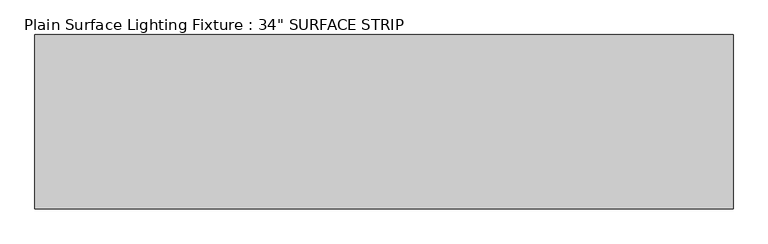
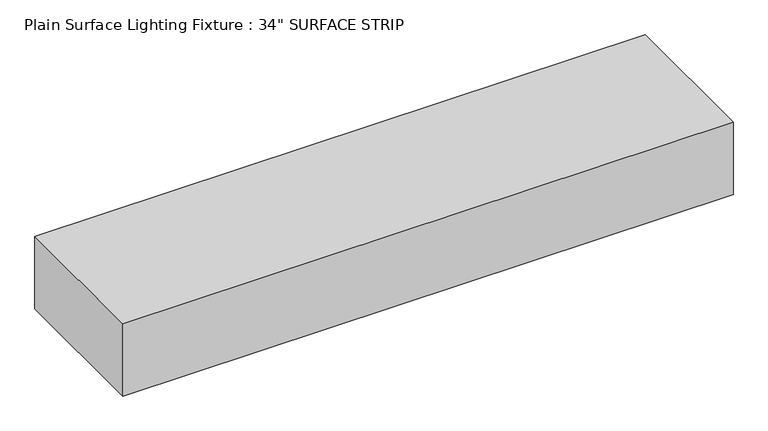
"""IFC4 building model written with IfcOpenShell, lengths in millimetres: light fixture geometry."""

import ifcopenshell
import ifcopenshell.guid

model = None  # the IFC model being written
_history = None  # IfcOwnerHistory: only IFC2X3 demands one
_inside = {}  # id of a spatial element -> (the spatial element, [elements in it])
_under = {}  # id of a project, library or spatial element -> (it, [spatial elements below it])
_declared = {}  # id of a project -> (the project, [libraries it declares])
_typed = {}  # id of a type object -> (the type object, [elements of that type])
_made_of = {}  # id of a material, layer set ... -> (it, [elements and type objects made of it])


def new_model(schema):
    """Start an empty IFC model of exactly this schema.

    Asked for "IFC4X3", IfcOpenShell would pick the latest addendum, in which some entities
    have other attributes; the version numbers below select the first issue.
    IFC2X3 requires an IfcOwnerHistory on every rooted entity: one is made here for all.
    """
    global model, _history
    if schema == "IFC4X3":
        model = ifcopenshell.file(schema_version=(4, 3, 0, 0))
    else:
        model = ifcopenshell.file(schema=schema)
    _inside.clear()
    _under.clear()
    _declared.clear()
    _typed.clear()
    _made_of.clear()
    _history = None
    if model.schema == "IFC2X3":
        org = make("IfcOrganization", Name="unknown")
        user = make(
            "IfcPersonAndOrganization",
            ThePerson=make("IfcPerson", FamilyName="unknown"),
            TheOrganization=org,
        )
        app = make(
            "IfcApplication",
            ApplicationDeveloper=org,
            Version="unknown",
            ApplicationFullName="unknown",
            ApplicationIdentifier="unknown",
        )
        _history = make(
            "IfcOwnerHistory",
            OwningUser=user,
            OwningApplication=app,
            ChangeAction="ADDED",
            CreationDate=0,
        )
    return model


def make(cls, **values):
    """One entity of the class cls with the attributes given. An attribute that is None is left unset."""
    return model.create_entity(
        cls, **{name: value for name, value in values.items() if value is not None}
    )


def rooted(cls, **values):
    """An entity with a GlobalId (a new one), such as an element, a storey or a relation."""
    return make(cls, GlobalId=ifcopenshell.guid.new(), OwnerHistory=_history, **values)


def si_unit(unit_type, name, prefix=None):
    """IfcSIUnit, for example si_unit("LENGTHUNIT", "METRE", prefix="MILLI")."""
    return make("IfcSIUnit", UnitType=unit_type, Prefix=prefix, Name=name)


def assignment(units):
    """IfcUnitAssignment: the units of a project."""
    return None if units is None else make("IfcUnitAssignment", Units=units)


def point(xyz):
    """IfcCartesianPoint."""
    return None if xyz is None else make("IfcCartesianPoint", Coordinates=xyz)


def direction(xyz):
    """IfcDirection."""
    return None if xyz is None else make("IfcDirection", DirectionRatios=xyz)


def frame(location, z_axis=None, x_axis=None):
    """IfcAxis2Placement3D, a coordinate frame: its origin and axes. An axis left out is left unset."""
    return make(
        "IfcAxis2Placement3D",
        Location=point(location),
        Axis=direction(z_axis),
        RefDirection=direction(x_axis),
    )


def origin():
    """The frame at (0, 0, 0) with its axes left unset."""
    return frame((0.0, 0.0, 0.0))


def origin_with_axes():
    """The frame at (0, 0, 0) with the z axis (0, 0, 1) and the x axis (1, 0, 0) written out."""
    return frame((0.0, 0.0, 0.0), z_axis=(0.0, 0.0, 1.0), x_axis=(1.0, 0.0, 0.0))


def place(relative_to, where):
    """IfcLocalPlacement: puts the frame where relative to a parent placement (None: the world)."""
    return make(
        "IfcLocalPlacement", PlacementRelTo=relative_to, RelativePlacement=where
    )


def context(
    kind, dimensions, precision=None, world=None, true_north=None, identifier=None
):
    """IfcGeometricRepresentationContext, for example the 3D "Model" context."""
    return make(
        "IfcGeometricRepresentationContext",
        ContextIdentifier=identifier,
        ContextType=kind,
        CoordinateSpaceDimension=dimensions,
        Precision=precision,
        WorldCoordinateSystem=world,
        TrueNorth=true_north,
    )


def project(units=None, contexts=None):
    """IfcProject with its units and contexts."""
    return rooted(
        "IfcProject",
        Name="project",
        RepresentationContexts=contexts,
        UnitsInContext=assignment(units),
    )


def spatial(cls, under=None, at=None, **own):
    """A site, building, storey or space (cls), placed at a placement, below another one or the project."""
    s = rooted(cls, ObjectPlacement=at, **own)
    if under is not None:
        _under.setdefault(under.id(), (under, []))[1].append(s)
    return s


def polyline(points):
    """IfcPolyline through the points."""
    return make("IfcPolyline", Points=[point(p) for p in points])


def outline(outer, holes=None, kind="AREA"):
    """IfcArbitraryClosedProfileDef: a profile drawn as a closed curve; with holes, ...WithVoids."""
    if holes is None:
        return make("IfcArbitraryClosedProfileDef", ProfileType=kind, OuterCurve=outer)
    return make(
        "IfcArbitraryProfileDefWithVoids",
        ProfileType=kind,
        OuterCurve=outer,
        InnerCurves=holes,
    )


def extrude(swept, where, along, depth):
    """IfcExtrudedAreaSolid: the profile swept, set in the frame where, extruded along a direction by depth."""
    return make(
        "IfcExtrudedAreaSolid",
        SweptArea=swept,
        Position=where,
        ExtrudedDirection=direction(along),
        Depth=depth,
    )


def shape(context_of_items, identifier, shape_type, items):
    """IfcShapeRepresentation: the items that make up one representation, for example the "Body"."""
    return make(
        "IfcShapeRepresentation",
        ContextOfItems=context_of_items,
        RepresentationIdentifier=identifier,
        RepresentationType=shape_type,
        Items=items,
    )


def source(mapping_origin, context_of_items, identifier, shape_type, items):
    """IfcRepresentationMap: a shape defined once, which mapped items show again and again."""
    return make(
        "IfcRepresentationMap",
        MappingOrigin=mapping_origin,
        MappedRepresentation=shape(context_of_items, identifier, shape_type, items),
    )


def transform(
    local_origin,
    x_axis=None,
    y_axis=None,
    z_axis=None,
    scale=None,
    scale2=None,
    scale3=None,
    uniform=True,
):
    """IfcCartesianTransformationOperator3D, or its non-uniform kind. x_axis, y_axis, z_axis: its Axis1, 2, 3."""
    if uniform:
        return make(
            "IfcCartesianTransformationOperator3D",
            Axis1=direction(x_axis),
            Axis2=direction(y_axis),
            LocalOrigin=point(local_origin),
            Scale=scale,
            Axis3=direction(z_axis),
        )
    return make(
        "IfcCartesianTransformationOperator3DnonUniform",
        Axis1=direction(x_axis),
        Axis2=direction(y_axis),
        LocalOrigin=point(local_origin),
        Scale=scale,
        Axis3=direction(z_axis),
        Scale2=scale2,
        Scale3=scale3,
    )


def mapped(mapping_source, mapping_target):
    """IfcMappedItem: shows the shape of a source again, moved by a transform."""
    return make(
        "IfcMappedItem", MappingSource=mapping_source, MappingTarget=mapping_target
    )


def made_of(thing, what):
    """Note that an element or type object is made of a material, layer set ...; save() writes the relation."""
    if what is not None:
        _made_of.setdefault(what.id(), (what, []))[1].append(thing)
    return thing


def element(
    cls,
    number,
    at=None,
    inside=None,
    cuts=None,
    type_object=None,
    material=None,
    context=None,
    identifier="Body",
    shape_type=None,
    held_by="IfcProductDefinitionShape",
    body=None,
    shapes=None,
    **own,
):
    """One element of the class cls, such as IfcWall. Its Tag is "e" and its number.

    at: its placement. inside: the storey or other place that contains it. cuts: it is an
    opening in that element (IfcRelVoidsElement). A single representation is given by context,
    identifier, shape_type and body (its items); several are given by shapes. held_by: the class
    of the entity that holds the representations. save() writes the other relations.
    """
    e = rooted(cls, Tag="e%d" % number, ObjectPlacement=at, **own)
    if body is not None:
        shapes = [shape(context, identifier, shape_type, body)]
    if shapes is not None:
        e.Representation = make(held_by, Representations=shapes)
    if inside is not None:
        _inside.setdefault(inside.id(), (inside, []))[1].append(e)
    if cuts is not None:
        rooted(
            "IfcRelVoidsElement", RelatingBuildingElement=cuts, RelatedOpeningElement=e
        )
    if type_object is not None:
        _typed.setdefault(type_object.id(), (type_object, []))[1].append(e)
    return made_of(e, material)


def aggregate(whole, parts):
    """IfcRelAggregates: a whole, such as a stair, and the parts it consists of."""
    return rooted("IfcRelAggregates", RelatingObject=whole, RelatedObjects=parts)


def save(model, path):
    """Write the relations noted so far, then the file.

    IfcRelAggregates (storeys below a building ...), IfcRelContainedInSpatialStructure (elements
    in a storey), IfcRelDefinesByType, IfcRelAssociatesMaterial and IfcRelDeclares: one each for
    every whole, place, type object, material and project.
    """
    for whole, parts in _under.values():
        aggregate(whole, parts)
    for where, things in _inside.values():
        rooted(
            "IfcRelContainedInSpatialStructure",
            RelatedElements=things,
            RelatingStructure=where,
        )
    for kind, things in _typed.values():
        rooted("IfcRelDefinesByType", RelatedObjects=things, RelatingType=kind)
    for what, things in _made_of.values():
        rooted("IfcRelAssociatesMaterial", RelatedObjects=things, RelatingMaterial=what)
    for by, libraries in _declared.values():
        rooted("IfcRelDeclares", RelatingContext=by, RelatedDefinitions=libraries)
    model.write(path)


def light_fixture_d54c5214(model_context):
    return source(origin(), model_context, "Body", "SweptSolid", [
        extrude(outline(polyline([(280.3478646, 738.5213005), (280.3478646, 433.7213005), (-938.8521354, 433.7213005), (-938.8521354, 738.5213005), (280.3478646, 738.5213005)])), origin_with_axes(), (0.0, 0.0, 1.0), 152.4),
    ])


if __name__ == "__main__":
    model = new_model("IFC4")
    model_context = context("Model", 3, world=origin())
    ifc_project = project(units=[si_unit("LENGTHUNIT", "METRE", prefix="MILLI")], contexts=[model_context])
    site = spatial("IfcSite", under=ifc_project)
    building = spatial("IfcBuilding", under=site)
    placement = place(None, origin())
    light_fixture_shape = light_fixture_d54c5214(model_context)
    element("IfcLightFixture", 1, ObjectType="Plain Surface Lighting Fixture : 34\" SURFACE STRIP", at=placement, inside=building, context=model_context, shape_type="MappedRepresentation", body=[
        mapped(light_fixture_shape, transform((0.0, 0.0, 0.0), x_axis=(1.0, 0.0, 0.0), y_axis=(0.0, 1.0, 0.0), z_axis=(0.0, 0.0, 1.0))),
    ])
    save(model, "model.ifc")
